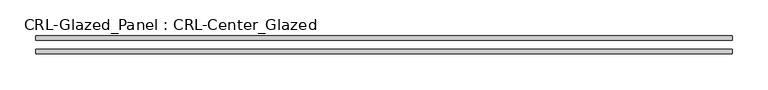
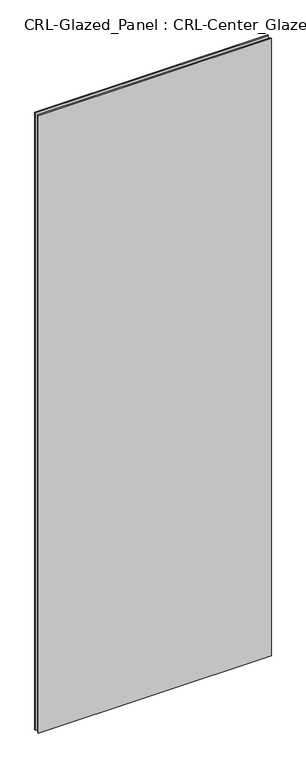
"""IFC4 building model written with IfcOpenShell, lengths in millimetres: plate geometry, CRL-Glazed_Panel : CRL-Center_Glazed."""

import ifcopenshell
import ifcopenshell.guid

model = None  # the IFC model being written
_history = None  # IfcOwnerHistory: only IFC2X3 demands one
_inside = {}  # id of a spatial element -> (the spatial element, [elements in it])
_under = {}  # id of a project, library or spatial element -> (it, [spatial elements below it])
_declared = {}  # id of a project -> (the project, [libraries it declares])
_typed = {}  # id of a type object -> (the type object, [elements of that type])
_made_of = {}  # id of a material, layer set ... -> (it, [elements and type objects made of it])


def new_model(schema):
    """Start an empty IFC model of exactly this schema.

    Asked for "IFC4X3", IfcOpenShell would pick the latest addendum, in which some entities
    have other attributes; the version numbers below select the first issue.
    IFC2X3 requires an IfcOwnerHistory on every rooted entity: one is made here for all.
    """
    global model, _history
    if schema == "IFC4X3":
        model = ifcopenshell.file(schema_version=(4, 3, 0, 0))
    else:
        model = ifcopenshell.file(schema=schema)
    _inside.clear()
    _under.clear()
    _declared.clear()
    _typed.clear()
    _made_of.clear()
    _history = None
    if model.schema == "IFC2X3":
        org = make("IfcOrganization", Name="unknown")
        user = make(
            "IfcPersonAndOrganization",
            ThePerson=make("IfcPerson", FamilyName="unknown"),
            TheOrganization=org,
        )
        app = make(
            "IfcApplication",
            ApplicationDeveloper=org,
            Version="unknown",
            ApplicationFullName="unknown",
            ApplicationIdentifier="unknown",
        )
        _history = make(
            "IfcOwnerHistory",
            OwningUser=user,
            OwningApplication=app,
            ChangeAction="ADDED",
            CreationDate=0,
        )
    return model


def make(cls, **values):
    """One entity of the class cls with the attributes given. An attribute that is None is left unset."""
    return model.create_entity(
        cls, **{name: value for name, value in values.items() if value is not None}
    )


def rooted(cls, **values):
    """An entity with a GlobalId (a new one), such as an element, a storey or a relation."""
    return make(cls, GlobalId=ifcopenshell.guid.new(), OwnerHistory=_history, **values)


def si_unit(unit_type, name, prefix=None):
    """IfcSIUnit, for example si_unit("LENGTHUNIT", "METRE", prefix="MILLI")."""
    return make("IfcSIUnit", UnitType=unit_type, Prefix=prefix, Name=name)


def assignment(units):
    """IfcUnitAssignment: the units of a project."""
    return None if units is None else make("IfcUnitAssignment", Units=units)


def point(xyz):
    """IfcCartesianPoint."""
    return None if xyz is None else make("IfcCartesianPoint", Coordinates=xyz)


def direction(xyz):
    """IfcDirection."""
    return None if xyz is None else make("IfcDirection", DirectionRatios=xyz)


def frame(location, z_axis=None, x_axis=None):
    """IfcAxis2Placement3D, a coordinate frame: its origin and axes. An axis left out is left unset."""
    return make(
        "IfcAxis2Placement3D",
        Location=point(location),
        Axis=direction(z_axis),
        RefDirection=direction(x_axis),
    )


def origin():
    """The frame at (0, 0, 0) with its axes left unset."""
    return frame((0.0, 0.0, 0.0))


def origin_with_axes():
    """The frame at (0, 0, 0) with the z axis (0, 0, 1) and the x axis (1, 0, 0) written out."""
    return frame((0.0, 0.0, 0.0), z_axis=(0.0, 0.0, 1.0), x_axis=(1.0, 0.0, 0.0))


def place(relative_to, where):
    """IfcLocalPlacement: puts the frame where relative to a parent placement (None: the world)."""
    return make(
        "IfcLocalPlacement", PlacementRelTo=relative_to, RelativePlacement=where
    )


def context(
    kind, dimensions, precision=None, world=None, true_north=None, identifier=None
):
    """IfcGeometricRepresentationContext, for example the 3D "Model" context."""
    return make(
        "IfcGeometricRepresentationContext",
        ContextIdentifier=identifier,
        ContextType=kind,
        CoordinateSpaceDimension=dimensions,
        Precision=precision,
        WorldCoordinateSystem=world,
        TrueNorth=true_north,
    )


def project(units=None, contexts=None):
    """IfcProject with its units and contexts."""
    return rooted(
        "IfcProject",
        Name="project",
        RepresentationContexts=contexts,
        UnitsInContext=assignment(units),
    )


def spatial(cls, under=None, at=None, **own):
    """A site, building, storey or space (cls), placed at a placement, below another one or the project."""
    s = rooted(cls, ObjectPlacement=at, **own)
    if under is not None:
        _under.setdefault(under.id(), (under, []))[1].append(s)
    return s


def polyline(points):
    """IfcPolyline through the points."""
    return make("IfcPolyline", Points=[point(p) for p in points])


def outline(outer, holes=None, kind="AREA"):
    """IfcArbitraryClosedProfileDef: a profile drawn as a closed curve; with holes, ...WithVoids."""
    if holes is None:
        return make("IfcArbitraryClosedProfileDef", ProfileType=kind, OuterCurve=outer)
    return make(
        "IfcArbitraryProfileDefWithVoids",
        ProfileType=kind,
        OuterCurve=outer,
        InnerCurves=holes,
    )


def extrude(swept, where, along, depth):
    """IfcExtrudedAreaSolid: the profile swept, set in the frame where, extruded along a direction by depth."""
    return make(
        "IfcExtrudedAreaSolid",
        SweptArea=swept,
        Position=where,
        ExtrudedDirection=direction(along),
        Depth=depth,
    )


def shape(context_of_items, identifier, shape_type, items):
    """IfcShapeRepresentation: the items that make up one representation, for example the "Body"."""
    return make(
        "IfcShapeRepresentation",
        ContextOfItems=context_of_items,
        RepresentationIdentifier=identifier,
        RepresentationType=shape_type,
        Items=items,
    )


def source(mapping_origin, context_of_items, identifier, shape_type, items):
    """IfcRepresentationMap: a shape defined once, which mapped items show again and again."""
    return make(
        "IfcRepresentationMap",
        MappingOrigin=mapping_origin,
        MappedRepresentation=shape(context_of_items, identifier, shape_type, items),
    )


def transform(
    local_origin,
    x_axis=None,
    y_axis=None,
    z_axis=None,
    scale=None,
    scale2=None,
    scale3=None,
    uniform=True,
):
    """IfcCartesianTransformationOperator3D, or its non-uniform kind. x_axis, y_axis, z_axis: its Axis1, 2, 3."""
    if uniform:
        return make(
            "IfcCartesianTransformationOperator3D",
            Axis1=direction(x_axis),
            Axis2=direction(y_axis),
            LocalOrigin=point(local_origin),
            Scale=scale,
            Axis3=direction(z_axis),
        )
    return make(
        "IfcCartesianTransformationOperator3DnonUniform",
        Axis1=direction(x_axis),
        Axis2=direction(y_axis),
        LocalOrigin=point(local_origin),
        Scale=scale,
        Axis3=direction(z_axis),
        Scale2=scale2,
        Scale3=scale3,
    )


def mapped(mapping_source, mapping_target):
    """IfcMappedItem: shows the shape of a source again, moved by a transform."""
    return make(
        "IfcMappedItem", MappingSource=mapping_source, MappingTarget=mapping_target
    )


def made_of(thing, what):
    """Note that an element or type object is made of a material, layer set ...; save() writes the relation."""
    if what is not None:
        _made_of.setdefault(what.id(), (what, []))[1].append(thing)
    return thing


def element(
    cls,
    number,
    at=None,
    inside=None,
    cuts=None,
    type_object=None,
    material=None,
    context=None,
    identifier="Body",
    shape_type=None,
    held_by="IfcProductDefinitionShape",
    body=None,
    shapes=None,
    **own,
):
    """One element of the class cls, such as IfcWall. Its Tag is "e" and its number.

    at: its placement. inside: the storey or other place that contains it. cuts: it is an
    opening in that element (IfcRelVoidsElement). A single representation is given by context,
    identifier, shape_type and body (its items); several are given by shapes. held_by: the class
    of the entity that holds the representations. save() writes the other relations.
    """
    e = rooted(cls, Tag="e%d" % number, ObjectPlacement=at, **own)
    if body is not None:
        shapes = [shape(context, identifier, shape_type, body)]
    if shapes is not None:
        e.Representation = make(held_by, Representations=shapes)
    if inside is not None:
        _inside.setdefault(inside.id(), (inside, []))[1].append(e)
    if cuts is not None:
        rooted(
            "IfcRelVoidsElement", RelatingBuildingElement=cuts, RelatedOpeningElement=e
        )
    if type_object is not None:
        _typed.setdefault(type_object.id(), (type_object, []))[1].append(e)
    return made_of(e, material)


def aggregate(whole, parts):
    """IfcRelAggregates: a whole, such as a stair, and the parts it consists of."""
    return rooted("IfcRelAggregates", RelatingObject=whole, RelatedObjects=parts)


def save(model, path):
    """Write the relations noted so far, then the file.

    IfcRelAggregates (storeys below a building ...), IfcRelContainedInSpatialStructure (elements
    in a storey), IfcRelDefinesByType, IfcRelAssociatesMaterial and IfcRelDeclares: one each for
    every whole, place, type object, material and project.
    """
    for whole, parts in _under.values():
        aggregate(whole, parts)
    for where, things in _inside.values():
        rooted(
            "IfcRelContainedInSpatialStructure",
            RelatedElements=things,
            RelatingStructure=where,
        )
    for kind, things in _typed.values():
        rooted("IfcRelDefinesByType", RelatedObjects=things, RelatingType=kind)
    for what, things in _made_of.values():
        rooted("IfcRelAssociatesMaterial", RelatedObjects=things, RelatingMaterial=what)
    for by, libraries in _declared.values():
        rooted("IfcRelDeclares", RelatingContext=by, RelatedDefinitions=libraries)
    model.write(path)


def crl_glazed_panel_crl_center_glazed_85b25a09(model_context):
    return source(origin(), model_context, "Body", "SweptSolid", [
        extrude(outline(polyline([(489.8223799, -12.7), (-489.8223799, -12.7), (-489.8223799, -6.35), (489.8223799, -6.35), (489.8223799, -12.7)])), origin_with_axes(), (0.0, 0.0, 1.0), 2743.2),
        extrude(outline(polyline([(-489.8223799, 6.35), (-489.8223799, 12.7), (489.8223799, 12.7), (489.8223799, 6.35), (-489.8223799, 6.35)])), origin_with_axes(), (0.0, 0.0, 1.0), 2743.2),
    ])


if __name__ == "__main__":
    model = new_model("IFC4")
    model_context = context("Model", 3, world=origin())
    ifc_project = project(units=[si_unit("LENGTHUNIT", "METRE", prefix="MILLI")], contexts=[model_context])
    site = spatial("IfcSite", under=ifc_project)
    building = spatial("IfcBuilding", under=site)
    placement = place(None, origin())
    crl_glazed_panel_crl_center_glazed_shape = crl_glazed_panel_crl_center_glazed_85b25a09(model_context)
    element("IfcPlate", 1, ObjectType="CRL-Glazed_Panel : CRL-Center_Glazed", at=placement, inside=building, context=model_context, shape_type="MappedRepresentation", body=[
        mapped(crl_glazed_panel_crl_center_glazed_shape, transform((0.0, 0.0, 0.0), x_axis=(1.0, 0.0, 0.0), y_axis=(0.0, 1.0, 0.0), z_axis=(0.0, 0.0, 1.0))),
    ])
    save(model, "model.ifc")
